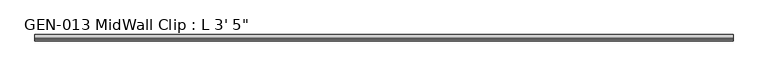
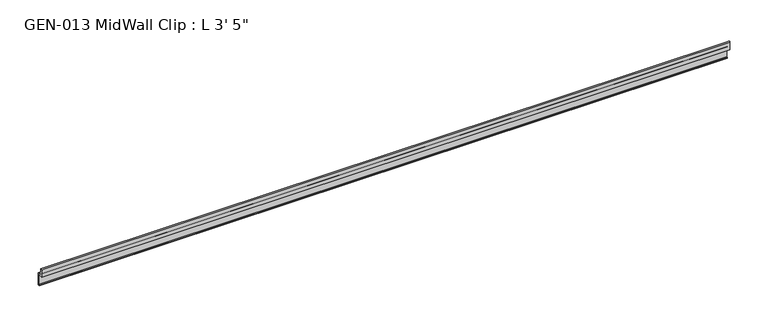
"""IFC4 building model written with IfcOpenShell, lengths in millimetres: proxy geometry."""

import ifcopenshell
import ifcopenshell.guid

model = None  # the IFC model being written
_history = None  # IfcOwnerHistory: only IFC2X3 demands one
_inside = {}  # id of a spatial element -> (the spatial element, [elements in it])
_under = {}  # id of a project, library or spatial element -> (it, [spatial elements below it])
_declared = {}  # id of a project -> (the project, [libraries it declares])
_typed = {}  # id of a type object -> (the type object, [elements of that type])
_made_of = {}  # id of a material, layer set ... -> (it, [elements and type objects made of it])


def new_model(schema):
    """Start an empty IFC model of exactly this schema.

    Asked for "IFC4X3", IfcOpenShell would pick the latest addendum, in which some entities
    have other attributes; the version numbers below select the first issue.
    IFC2X3 requires an IfcOwnerHistory on every rooted entity: one is made here for all.
    """
    global model, _history
    if schema == "IFC4X3":
        model = ifcopenshell.file(schema_version=(4, 3, 0, 0))
    else:
        model = ifcopenshell.file(schema=schema)
    _inside.clear()
    _under.clear()
    _declared.clear()
    _typed.clear()
    _made_of.clear()
    _history = None
    if model.schema == "IFC2X3":
        org = make("IfcOrganization", Name="unknown")
        user = make(
            "IfcPersonAndOrganization",
            ThePerson=make("IfcPerson", FamilyName="unknown"),
            TheOrganization=org,
        )
        app = make(
            "IfcApplication",
            ApplicationDeveloper=org,
            Version="unknown",
            ApplicationFullName="unknown",
            ApplicationIdentifier="unknown",
        )
        _history = make(
            "IfcOwnerHistory",
            OwningUser=user,
            OwningApplication=app,
            ChangeAction="ADDED",
            CreationDate=0,
        )
    return model


def make(cls, **values):
    """One entity of the class cls with the attributes given. An attribute that is None is left unset."""
    return model.create_entity(
        cls, **{name: value for name, value in values.items() if value is not None}
    )


def rooted(cls, **values):
    """An entity with a GlobalId (a new one), such as an element, a storey or a relation."""
    return make(cls, GlobalId=ifcopenshell.guid.new(), OwnerHistory=_history, **values)


def si_unit(unit_type, name, prefix=None):
    """IfcSIUnit, for example si_unit("LENGTHUNIT", "METRE", prefix="MILLI")."""
    return make("IfcSIUnit", UnitType=unit_type, Prefix=prefix, Name=name)


def assignment(units):
    """IfcUnitAssignment: the units of a project."""
    return None if units is None else make("IfcUnitAssignment", Units=units)


def point(xyz):
    """IfcCartesianPoint."""
    return None if xyz is None else make("IfcCartesianPoint", Coordinates=xyz)


def direction(xyz):
    """IfcDirection."""
    return None if xyz is None else make("IfcDirection", DirectionRatios=xyz)


def frame(location, z_axis=None, x_axis=None):
    """IfcAxis2Placement3D, a coordinate frame: its origin and axes. An axis left out is left unset."""
    return make(
        "IfcAxis2Placement3D",
        Location=point(location),
        Axis=direction(z_axis),
        RefDirection=direction(x_axis),
    )


def frame_2d(location, x_axis=None):
    """IfcAxis2Placement2D, a coordinate frame in the plane: its origin and x axis."""
    return make(
        "IfcAxis2Placement2D", Location=point(location), RefDirection=direction(x_axis)
    )


def origin():
    """The frame at (0, 0, 0) with its axes left unset."""
    return frame((0.0, 0.0, 0.0))


def place(relative_to, where):
    """IfcLocalPlacement: puts the frame where relative to a parent placement (None: the world)."""
    return make(
        "IfcLocalPlacement", PlacementRelTo=relative_to, RelativePlacement=where
    )


def context(
    kind, dimensions, precision=None, world=None, true_north=None, identifier=None
):
    """IfcGeometricRepresentationContext, for example the 3D "Model" context."""
    return make(
        "IfcGeometricRepresentationContext",
        ContextIdentifier=identifier,
        ContextType=kind,
        CoordinateSpaceDimension=dimensions,
        Precision=precision,
        WorldCoordinateSystem=world,
        TrueNorth=true_north,
    )


def project(units=None, contexts=None):
    """IfcProject with its units and contexts."""
    return rooted(
        "IfcProject",
        Name="project",
        RepresentationContexts=contexts,
        UnitsInContext=assignment(units),
    )


def spatial(cls, under=None, at=None, **own):
    """A site, building, storey or space (cls), placed at a placement, below another one or the project."""
    s = rooted(cls, ObjectPlacement=at, **own)
    if under is not None:
        _under.setdefault(under.id(), (under, []))[1].append(s)
    return s


def polyline(points):
    """IfcPolyline through the points."""
    return make("IfcPolyline", Points=[point(p) for p in points])


def circle_curve(where, radius):
    """IfcCircle in the frame where."""
    return make("IfcCircle", Position=where, Radius=radius)


def trimmed(basis, trim1, trim2, sense, master):
    """IfcTrimmedCurve: the piece of a basis curve between two trims."""
    return make(
        "IfcTrimmedCurve",
        BasisCurve=basis,
        Trim1=trim1,
        Trim2=trim2,
        SenseAgreement=sense,
        MasterRepresentation=master,
    )


def segment(curve, same_sense, transition):
    """IfcCompositeCurveSegment."""
    return make(
        "IfcCompositeCurveSegment",
        Transition=transition,
        SameSense=same_sense,
        ParentCurve=curve,
    )


def composite_curve(segments, self_intersect=None):
    """IfcCompositeCurve: segments joined end to end."""
    return make("IfcCompositeCurve", Segments=segments, SelfIntersect=self_intersect)


def outline(outer, holes=None, kind="AREA"):
    """IfcArbitraryClosedProfileDef: a profile drawn as a closed curve; with holes, ...WithVoids."""
    if holes is None:
        return make("IfcArbitraryClosedProfileDef", ProfileType=kind, OuterCurve=outer)
    return make(
        "IfcArbitraryProfileDefWithVoids",
        ProfileType=kind,
        OuterCurve=outer,
        InnerCurves=holes,
    )


def extrude(swept, where, along, depth):
    """IfcExtrudedAreaSolid: the profile swept, set in the frame where, extruded along a direction by depth."""
    return make(
        "IfcExtrudedAreaSolid",
        SweptArea=swept,
        Position=where,
        ExtrudedDirection=direction(along),
        Depth=depth,
    )


def shape(context_of_items, identifier, shape_type, items):
    """IfcShapeRepresentation: the items that make up one representation, for example the "Body"."""
    return make(
        "IfcShapeRepresentation",
        ContextOfItems=context_of_items,
        RepresentationIdentifier=identifier,
        RepresentationType=shape_type,
        Items=items,
    )


def source(mapping_origin, context_of_items, identifier, shape_type, items):
    """IfcRepresentationMap: a shape defined once, which mapped items show again and again."""
    return make(
        "IfcRepresentationMap",
        MappingOrigin=mapping_origin,
        MappedRepresentation=shape(context_of_items, identifier, shape_type, items),
    )


def transform(
    local_origin,
    x_axis=None,
    y_axis=None,
    z_axis=None,
    scale=None,
    scale2=None,
    scale3=None,
    uniform=True,
):
    """IfcCartesianTransformationOperator3D, or its non-uniform kind. x_axis, y_axis, z_axis: its Axis1, 2, 3."""
    if uniform:
        return make(
            "IfcCartesianTransformationOperator3D",
            Axis1=direction(x_axis),
            Axis2=direction(y_axis),
            LocalOrigin=point(local_origin),
            Scale=scale,
            Axis3=direction(z_axis),
        )
    return make(
        "IfcCartesianTransformationOperator3DnonUniform",
        Axis1=direction(x_axis),
        Axis2=direction(y_axis),
        LocalOrigin=point(local_origin),
        Scale=scale,
        Axis3=direction(z_axis),
        Scale2=scale2,
        Scale3=scale3,
    )


def mapped(mapping_source, mapping_target):
    """IfcMappedItem: shows the shape of a source again, moved by a transform."""
    return make(
        "IfcMappedItem", MappingSource=mapping_source, MappingTarget=mapping_target
    )


def made_of(thing, what):
    """Note that an element or type object is made of a material, layer set ...; save() writes the relation."""
    if what is not None:
        _made_of.setdefault(what.id(), (what, []))[1].append(thing)
    return thing


def element(
    cls,
    number,
    at=None,
    inside=None,
    cuts=None,
    type_object=None,
    material=None,
    context=None,
    identifier="Body",
    shape_type=None,
    held_by="IfcProductDefinitionShape",
    body=None,
    shapes=None,
    **own,
):
    """One element of the class cls, such as IfcWall. Its Tag is "e" and its number.

    at: its placement. inside: the storey or other place that contains it. cuts: it is an
    opening in that element (IfcRelVoidsElement). A single representation is given by context,
    identifier, shape_type and body (its items); several are given by shapes. held_by: the class
    of the entity that holds the representations. save() writes the other relations.
    """
    e = rooted(cls, Tag="e%d" % number, ObjectPlacement=at, **own)
    if body is not None:
        shapes = [shape(context, identifier, shape_type, body)]
    if shapes is not None:
        e.Representation = make(held_by, Representations=shapes)
    if inside is not None:
        _inside.setdefault(inside.id(), (inside, []))[1].append(e)
    if cuts is not None:
        rooted(
            "IfcRelVoidsElement", RelatingBuildingElement=cuts, RelatedOpeningElement=e
        )
    if type_object is not None:
        _typed.setdefault(type_object.id(), (type_object, []))[1].append(e)
    return made_of(e, material)


def aggregate(whole, parts):
    """IfcRelAggregates: a whole, such as a stair, and the parts it consists of."""
    return rooted("IfcRelAggregates", RelatingObject=whole, RelatedObjects=parts)


def save(model, path):
    """Write the relations noted so far, then the file.

    IfcRelAggregates (storeys below a building ...), IfcRelContainedInSpatialStructure (elements
    in a storey), IfcRelDefinesByType, IfcRelAssociatesMaterial and IfcRelDeclares: one each for
    every whole, place, type object, material and project.
    """
    for whole, parts in _under.values():
        aggregate(whole, parts)
    for where, things in _inside.values():
        rooted(
            "IfcRelContainedInSpatialStructure",
            RelatedElements=things,
            RelatingStructure=where,
        )
    for kind, things in _typed.values():
        rooted("IfcRelDefinesByType", RelatedObjects=things, RelatingType=kind)
    for what, things in _made_of.values():
        rooted("IfcRelAssociatesMaterial", RelatedObjects=things, RelatingMaterial=what)
    for by, libraries in _declared.values():
        rooted("IfcRelDeclares", RelatingContext=by, RelatedDefinitions=libraries)
    model.write(path)


def proxy_3c8f1cfc(model_context):
    return source(origin(), model_context, "Body", "SweptSolid", [
        extrude(outline(composite_curve([segment(trimmed(circle_curve(frame_2d((1.9177, 1.1238237)), 1.27), [point((3.1877, 1.1238237))], [point((1.9177, 2.3938237))], True, "CARTESIAN"), True, "CONTINUOUS"), segment(polyline([(1.9177, 2.3938237), (-4.7625, 2.3938237), (-4.7625, 14.4786268)]), True, "CONTINUOUS"), segment(trimmed(circle_curve(frame_2d((-3.5698235, 13.3878692)), 1.6162393), [point((-4.7625, 14.4786268))], [point((-2.4411308, 14.5447106))], False, "CARTESIAN"), True, "CONTINUOUS"), segment(polyline([(-2.4411308, 14.5447106), (-0.630157, 3.9686237), (4.7625, 3.9686237), (4.7625, -15.0559763), (1.6129, -15.0559763), (1.6129, -13.4811763), (3.1877, -13.4811763), (3.1877, 1.1238237)]), True, "CONTINUOUS")], self_intersect=False)), frame((0.0, 0.0, 0.0), z_axis=(1.0, 0.0, 0.0), x_axis=(0.0, 1.0, 0.0)), (0.0, 0.0, 1.0), 1041.4),
    ])


if __name__ == "__main__":
    model = new_model("IFC4")
    model_context = context("Model", 3, world=origin())
    ifc_project = project(units=[si_unit("LENGTHUNIT", "METRE", prefix="MILLI")], contexts=[model_context])
    site = spatial("IfcSite", under=ifc_project)
    building = spatial("IfcBuilding", under=site)
    placement = place(None, origin())
    proxy_shape = proxy_3c8f1cfc(model_context)
    element("IfcBuildingElementProxy", 1, Name="GEN-013 MidWall Clip : L 3' 5\"", ObjectType="GEN-013 MidWall Clip : L 3' 5\"", at=placement, inside=building, context=model_context, shape_type="MappedRepresentation", body=[
        mapped(proxy_shape, transform((0.0, 0.0, 0.0), x_axis=(1.0, 0.0, 0.0), y_axis=(0.0, 1.0, 0.0), z_axis=(0.0, 0.0, 1.0))),
    ])
    save(model, "model.ifc")
